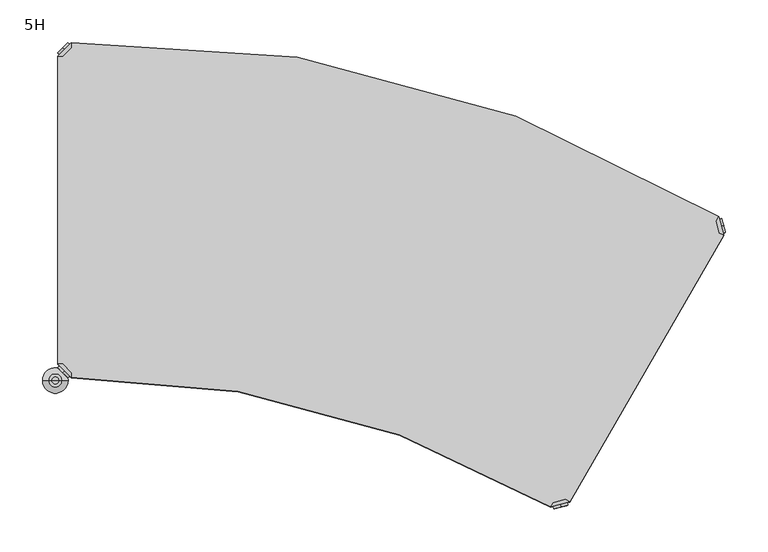
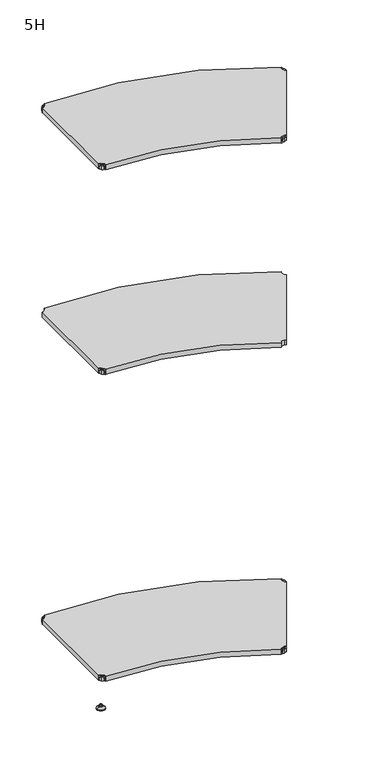
"""IFC4 building model written with IfcOpenShell, lengths in millimetres: furniture geometry, 5H."""

from ifc_helpers import new_model, si_unit, point, frame, frame_2d, origin, place, context, project, spatial, polyline, circle_curve, trimmed, segment, composite_curve, outline, extrude, source, transform, mapped, element, save
from ifc_brep_helpers import plane_surface, cylinder_surface, revolved_surface, advanced_brep


def furniture_5h_aa040f7a(model_context):
    return source(origin(), model_context, "Body", "SolidModel", [
        advanced_brep(
        [(10.9601551, -389.0398449, 1298.5), (10.9601551, -389.0398449, 1307.0), (10.9601551, -389.0398449, 1315.5), (8.8388348, -391.1611652, 1298.5), (8.8388348, -391.1611652, 1315.5), (8.8388348, -391.1611652, 1307.0)],
        [
            (0, 1),
            (1, 2),
            (2, 0, circle_curve(frame((10.9601551, -389.0398449, 1307.0), z_axis=(0.7071067811865509, 0.7071067811865441, 0.0), x_axis=(0.0, 0.0, 1.0)), 8.5)),
            (0, 2, circle_curve(frame((10.9601551, -389.0398449, 1307.0), z_axis=(0.7071067811865509, 0.7071067811865441, 0.0), x_axis=(0.0, 0.0, 1.0)), 8.5)),
            (3, 0),
            (2, 4),
            (4, 3, circle_curve(frame((8.8388348, -391.1611652, 1307.0), z_axis=(0.7071067811865509, 0.7071067811865441, 0.0), x_axis=(0.0, 0.0, 1.0)), 8.5)),
            (3, 4, circle_curve(frame((8.8388348, -391.1611652, 1307.0), z_axis=(0.7071067811865509, 0.7071067811865441, 0.0), x_axis=(0.0, 0.0, 1.0)), 8.5)),
            (5, 3),
            (4, 5),
        ],
        [
            plane_surface(frame((10.9601551, -389.0398449, 1307.0), z_axis=(0.7071067811865506, 0.7071067811865446, 0.0), x_axis=(0.0, 0.0, 1.0))),
            cylinder_surface(frame((8.8388348, -391.1611652, 1307.0), z_axis=(-0.7071067811865509, -0.7071067811865441, 0.0), x_axis=(0.0, 0.0, 1.0)), 8.5),
            plane_surface(frame((8.8388348, -391.1611652, 1307.0), z_axis=(-0.7071067811865506, -0.7071067811865446, 0.0), x_axis=(0.0, 0.0, 1.0))),
        ],
        [
            (0, [[1, 2, 3]]),
            (0, [[-2, -1, 4]]),
            (1, [[5, -3, 6, 7]]),
            (1, [[-6, -4, -5, 8]]),
            (2, [[9, -7, 10]]),
            (2, [[-10, -8, -9]]),
        ],
    ),
        advanced_brep(
        [(18.9203102, -397.0, 1317.0), (18.9203102, -391.3431458, 1317.0), (8.6568542, -381.0796898, 1317.0), (3.0, -381.0796898, 1317.0), (3.0, -381.0796898, 1298.0), (3.0, -381.0796898, 1297.0), (18.9203102, -397.0, 1297.0), (18.9203102, -397.0, 1298.0), (18.9203102, -391.3431458, 1298.0), (8.6568542, -381.0796898, 1298.0), (47.7297077, -368.1906025, 1298.0), (31.8093975, -352.2702923, 1298.0), (31.8093975, -352.2702923, 1297.0), (47.7297077, -368.1906025, 1297.0)],
        [
            (0, 1),
            (1, 2),
            (2, 3),
            (3, 0),
            (3, 4),
            (4, 5),
            (5, 6),
            (6, 7),
            (7, 0),
            (1, 8),
            (8, 9),
            (9, 2),
            (7, 8),
            (9, 4),
            (7, 10),
            (10, 11, circle_curve(frame((39.7695526, -360.2304474, 1298.0), z_axis=(0.0, 0.0, 1.0), x_axis=(1.0, 0.0, 0.0)), 11.2573593)),
            (11, 4),
            (5, 12),
            (12, 13, circle_curve(frame((39.7695526, -360.2304474, 1297.0), z_axis=(0.0, 0.0, -1.0), x_axis=(1.0, 0.0, 0.0)), 11.2573593)),
            (13, 6),
            (11, 12),
            (10, 13),
        ],
        [
            plane_surface(frame((-38.8756299, -339.2040599, 1317.0), z_axis=(0.0, 0.0, 1.0000000000000002), x_axis=(-0.7071067811865511, 0.707106781186544, 0.0))),
            plane_surface(frame((18.9203102, -397.0, 1317.0), z_axis=(-0.707106781186544, -0.7071067811865511, 0.0), x_axis=(0.0, 0.0, -1.0))),
            plane_surface(frame((8.6568542, -381.0796898, 1317.0), z_axis=(0.7071067811865527, 0.7071067811865424, 0.0), x_axis=(0.0, 0.0, -1.0))),
            plane_surface(frame((18.9203102, -391.3431458, 1317.0), z_axis=(1.0, 0.0, 0.0), x_axis=(0.0, 0.0, -1.0))),
            plane_surface(frame((3.0, -381.0796898, 1317.0), z_axis=(0.0, 1.0, 0.0), x_axis=(0.0, 0.0, -1.0))),
            plane_surface(frame((3.0, -381.0796898, 1298.0), z_axis=(0.0, 0.0, 1.0), x_axis=(-0.7071067811865439, 0.7071067811865511, 0.0))),
            plane_surface(frame((3.0, -381.0796898, 1297.0), z_axis=(0.0, 0.0, -1.0), x_axis=(0.7071067811865439, -0.7071067811865511, 0.0))),
            plane_surface(frame((3.0, -381.0796898, 1298.0), z_axis=(-0.7071067811865446, 0.7071067811865506, 0.0), x_axis=(0.0, 0.0, -1.0))),
            cylinder_surface(frame((39.7695526, -360.2304474, 1297.0), z_axis=(0.0, 0.0, 1.0), x_axis=(1.0, 0.0, 0.0)), 11.2573593),
            plane_surface(frame((47.7297077, -368.1906025, 1298.0), z_axis=(0.7071067811865435, -0.7071067811865517, 0.0), x_axis=(0.0, 0.0, -1.0))),
        ],
        [
            (0, [[1, 2, 3, 4]]),
            (1, [[5, 6, 7, 8, 9, -4]]),
            (2, [[10, 11, 12, -2]]),
            (3, [[-9, 13, -10, -1]]),
            (4, [[-12, 14, -5, -3]]),
            (5, [[-14, -11, -13, 15, 16, 17]]),
            (6, [[-7, 18, 19, 20]]),
            (7, [[21, -18, -6, -17]]),
            (8, [[22, -19, -21, -16]]),
            (9, [[-8, -20, -22, -15]]),
        ],
    ),
        extrude(outline(composite_curve([segment(polyline([(3.0, -381.0796898), (3.0, -18.9203102), (8.6568542, -18.9203102), (18.9203102, -8.6568542), (18.9203102, -2.9913431)]), True, "CONTINUOUS"), segment(trimmed(circle_curve(frame_2d((66.3235275, -1342.1526236)), 1340.0), [point((18.9203102, -2.9913431))], [point((779.4840717, -207.6915012))], False, "CARTESIAN"), True, "CONTINUOUS"), segment(polyline([(779.4840717, -207.6915012), (776.6299875, -212.6349201), (780.3866732, -226.6550617), (785.2835675, -229.4822849), (604.2159955, -543.1005192), (599.3191011, -540.273296), (585.2989596, -544.0299816), (582.4705324, -548.9289611)]), True, "CONTINUOUS"), segment(trimmed(circle_curve(frame_2d((27.3277059, -1486.9675755)), 1090.0), [point((582.4705324, -548.9289611))], [point((18.9203102, -397.0))], True, "CARTESIAN"), True, "CONTINUOUS"), segment(polyline([(18.9203102, -397.0), (18.9203102, -391.3431458), (8.6568542, -381.0796898), (3.0, -381.0796898)]), True, "CONTINUOUS")], self_intersect=False)), frame((0.0, 0.0, 1298.0), z_axis=(0.0, 0.0, 1.0), x_axis=(1.0, 0.0, 0.0)), (0.0, 0.0, 1.0), 19.0),
        advanced_brep(
        [(10.9601551, -10.9601551, 2098.5), (10.9601551, -10.9601551, 2115.5), (10.9601551, -10.9601551, 2107.0), (8.8388348, -8.8388348, 2098.5), (8.8388348, -8.8388348, 2115.5), (8.8388348, -8.8388348, 2107.0)],
        [
            (0, 1, circle_curve(frame((10.9601551, -10.9601551, 2107.0), z_axis=(0.7071067811865465, -0.7071067811865486, 0.0), x_axis=(0.0, 0.0, 1.0)), 8.5)),
            (1, 2),
            (2, 0),
            (1, 0, circle_curve(frame((10.9601551, -10.9601551, 2107.0), z_axis=(0.7071067811865465, -0.7071067811865486, 0.0), x_axis=(0.0, 0.0, 1.0)), 8.5)),
            (3, 4, circle_curve(frame((8.8388348, -8.8388348, 2107.0), z_axis=(0.7071067811865465, -0.7071067811865486, 0.0), x_axis=(0.0, 0.0, 1.0)), 8.5)),
            (4, 1),
            (0, 3),
            (4, 3, circle_curve(frame((8.8388348, -8.8388348, 2107.0), z_axis=(0.7071067811865465, -0.7071067811865486, 0.0), x_axis=(0.0, 0.0, 1.0)), 8.5)),
            (5, 4),
            (3, 5),
        ],
        [
            plane_surface(frame((10.9601551, -10.9601551, 2107.0), z_axis=(0.7071067811865461, -0.707106781186549, 0.0), x_axis=(0.0, 0.0, 1.0))),
            cylinder_surface(frame((8.8388348, -8.8388348, 2107.0), z_axis=(-0.7071067811865465, 0.7071067811865486, 0.0), x_axis=(0.0, 0.0, 1.0)), 8.5),
            plane_surface(frame((8.8388348, -8.8388348, 2107.0), z_axis=(-0.7071067811865461, 0.707106781186549, 0.0), x_axis=(0.0, 0.0, 1.0))),
        ],
        [
            (0, [[1, 2, 3]]),
            (0, [[4, -3, -2]]),
            (1, [[5, 6, -1, 7]]),
            (1, [[8, -7, -4, -6]]),
            (2, [[9, -5, 10]]),
            (2, [[-10, -8, -9]]),
        ],
    ),
        advanced_brep(
        [(18.9203102, -3.0, 2117.0), (3.0, -18.9203102, 2117.0), (8.6568542, -18.9203102, 2117.0), (18.9203102, -8.6568542, 2117.0), (18.9203102, -3.0, 2098.0), (18.9203102, -3.0, 2097.0), (3.0, -18.9203102, 2097.0), (3.0, -18.9203102, 2098.0), (8.6568542, -18.9203102, 2098.0), (18.9203102, -8.6568542, 2098.0), (31.8093975, -47.7297077, 2098.0), (47.7297077, -31.8093975, 2098.0), (47.7297077, -31.8093975, 2097.0), (31.8093975, -47.7297077, 2097.0)],
        [
            (0, 1),
            (1, 2),
            (2, 3),
            (3, 0),
            (0, 4),
            (4, 5),
            (5, 6),
            (6, 7),
            (7, 1),
            (2, 8),
            (8, 9),
            (9, 3),
            (9, 4),
            (7, 8),
            (7, 10),
            (10, 11, circle_curve(frame((39.7695526, -39.7695526, 2098.0), z_axis=(0.0, 0.0, 1.0), x_axis=(1.0, 0.0, 0.0)), 11.2573593)),
            (11, 4),
            (5, 12),
            (12, 13, circle_curve(frame((39.7695526, -39.7695526, 2097.0), z_axis=(0.0, 0.0, -1.0), x_axis=(1.0, 0.0, 0.0)), 11.2573593)),
            (13, 6),
            (13, 10),
            (12, 11),
        ],
        [
            plane_surface(frame((-38.8756299, -60.7959401, 2117.0), z_axis=(0.0, 0.0, 1.0), x_axis=(-0.7071067811865556, -0.7071067811865396, 0.0))),
            plane_surface(frame((18.9203102, -3.0, 2117.0), z_axis=(-0.7071067811865396, 0.7071067811865556, 0.0), x_axis=(0.0, 0.0, -1.0))),
            plane_surface(frame((8.6568542, -18.9203102, 2117.0), z_axis=(0.7071067811865482, -0.7071067811865468, 0.0), x_axis=(0.0, 0.0, -1.0))),
            plane_surface(frame((18.9203102, -8.6568542, 2117.0), z_axis=(1.0, 0.0, 0.0), x_axis=(0.0, 0.0, -1.0))),
            plane_surface(frame((3.0, -18.9203102, 2117.0), z_axis=(0.0, -1.0, 0.0), x_axis=(0.0, 0.0, -1.0))),
            plane_surface(frame((3.0, -18.9203102, 2098.0), z_axis=(0.0, 0.0, 1.0), x_axis=(-0.7071067811865483, -0.7071067811865467, 0.0))),
            plane_surface(frame((3.0, -18.9203102, 2097.0), z_axis=(0.0, 0.0, -1.0), x_axis=(0.7071067811865483, 0.7071067811865467, 0.0))),
            plane_surface(frame((3.0, -18.9203102, 2098.0), z_axis=(-0.707106781186549, -0.7071067811865461, 0.0), x_axis=(0.0, 0.0, -1.0))),
            cylinder_surface(frame((39.7695526, -39.7695526, 2097.0), z_axis=(0.0, 0.0, 1.0), x_axis=(1.0, 0.0, 0.0)), 11.2573593),
            plane_surface(frame((47.7297077, -31.8093975, 2098.0), z_axis=(0.7071067811865479, 0.7071067811865472, 0.0), x_axis=(0.0, 0.0, -1.0))),
        ],
        [
            (0, [[1, 2, 3, 4]]),
            (1, [[-1, 5, 6, 7, 8, 9]]),
            (2, [[-3, 10, 11, 12]]),
            (3, [[-4, -12, 13, -5]]),
            (4, [[-2, -9, 14, -10]]),
            (5, [[15, 16, 17, -13, -11, -14]]),
            (6, [[18, 19, 20, -7]]),
            (7, [[-15, -8, -20, 21]]),
            (8, [[-16, -21, -19, 22]]),
            (9, [[-17, -22, -18, -6]]),
        ],
    ),
        advanced_brep(
        [(782.3720337, -218.6097147, 2098.5), (782.3720337, -218.6097147, 2107.0), (782.3720337, -218.6097147, 2115.5), (785.2698111, -217.8332576, 2098.5), (785.2698111, -217.8332576, 2115.5), (785.2698111, -217.8332576, 2107.0)],
        [
            (0, 1),
            (1, 2),
            (2, 0, circle_curve(frame((782.3720337, -218.6097147, 2107.0), z_axis=(-0.9659258262890685, -0.25881904510252, 0.0), x_axis=(0.0, 0.0, 1.0)), 8.5)),
            (0, 2, circle_curve(frame((782.3720337, -218.6097147, 2107.0), z_axis=(-0.9659258262890685, -0.25881904510252, 0.0), x_axis=(0.0, 0.0, 1.0)), 8.5)),
            (3, 0),
            (2, 4),
            (4, 3, circle_curve(frame((785.2698111, -217.8332576, 2107.0), z_axis=(-0.9659258262890685, -0.25881904510252, 0.0), x_axis=(0.0, 0.0, 1.0)), 8.5)),
            (3, 4, circle_curve(frame((785.2698111, -217.8332576, 2107.0), z_axis=(-0.9659258262890685, -0.25881904510252, 0.0), x_axis=(0.0, 0.0, 1.0)), 8.5)),
            (5, 3),
            (4, 5),
        ],
        [
            plane_surface(frame((782.3720337, -218.6097147, 2107.0), z_axis=(-0.9659258262890684, -0.25881904510252063, 0.0), x_axis=(0.0, 0.0, 1.0))),
            cylinder_surface(frame((785.2698111, -217.8332576, 2107.0), z_axis=(0.9659258262890685, 0.25881904510252, 0.0), x_axis=(0.0, 0.0, 1.0)), 8.5),
            plane_surface(frame((785.2698111, -217.8332576, 2107.0), z_axis=(0.9659258262890684, 0.25881904510252063, 0.0), x_axis=(0.0, 0.0, 1.0))),
        ],
        [
            (0, [[1, 2, 3]]),
            (0, [[-2, -1, 4]]),
            (1, [[5, -3, 6, 7]]),
            (1, [[-6, -4, -5, 8]]),
            (2, [[9, -7, 10]]),
            (2, [[-10, -8, -9]]),
        ],
    ),
        advanced_brep(
        [(779.4584147, -207.7359406, 2117.0), (776.6299875, -212.6349201, 2117.0), (780.3866732, -226.6550617, 2117.0), (785.2856526, -229.4834888, 2117.0), (785.2856526, -229.4834888, 2098.0), (785.2856526, -229.4834888, 2097.0), (779.4584147, -207.7359406, 2097.0), (779.4584147, -207.7359406, 2098.0), (776.6299875, -212.6349201, 2098.0), (780.3866732, -226.6550617, 2098.0), (740.1040458, -218.280912, 2098.0), (745.9312838, -240.0284602, 2098.0), (745.9312838, -240.0284602, 2097.0), (740.1040458, -218.280912, 2097.0)],
        [
            (0, 1),
            (1, 2),
            (2, 3),
            (3, 0),
            (3, 4),
            (4, 5),
            (5, 6),
            (6, 7),
            (7, 0),
            (1, 8),
            (8, 9),
            (9, 2),
            (7, 8),
            (9, 4),
            (7, 10),
            (10, 11, circle_curve(frame((743.0176648, -229.1546861, 2098.0), z_axis=(0.0, 0.0, 1.0), x_axis=(-0.8660254037844375, 0.5000000000000021, 0.0)), 11.2573593)),
            (11, 4),
            (5, 12),
            (12, 13, circle_curve(frame((743.0176648, -229.1546861, 2097.0), z_axis=(0.0, 0.0, -1.0), x_axis=(-0.8660254037844375, 0.5000000000000021, 0.0)), 11.2573593)),
            (13, 6),
            (11, 12),
            (10, 13),
        ],
        [
            plane_surface(frame((800.613197, -286.6866631, 2117.0), z_axis=(0.0, 0.0, 1.0), x_axis=(0.25881904510252957, -0.965925826289066, 0.0))),
            plane_surface(frame((779.4584147, -207.7359406, 2117.0), z_axis=(0.965925826289066, 0.25881904510252957, 0.0), x_axis=(0.0, 0.0, -1.0))),
            plane_surface(frame((780.3866732, -226.6550617, 2117.0), z_axis=(-0.9659258262890692, -0.2588190451025176, 0.0), x_axis=(0.0, 0.0, -1.0))),
            plane_surface(frame((776.6299875, -212.6349201, 2117.0), z_axis=(-0.866025403784462, 0.4999999999999597, 0.0), x_axis=(0.0, 0.0, -1.0))),
            plane_surface(frame((785.2856526, -229.4834888, 2117.0), z_axis=(-0.4999999999999963, -0.8660254037844408, 0.0), x_axis=(0.0, 0.0, -1.0))),
            plane_surface(frame((785.2856526, -229.4834888, 2098.0), z_axis=(0.0, 0.0, 1.0), x_axis=(0.2588190451025197, -0.9659258262890686, 0.0))),
            plane_surface(frame((785.2856526, -229.4834888, 2097.0), z_axis=(0.0, 0.0, -1.0), x_axis=(-0.2588190451025197, 0.9659258262890686, 0.0))),
            plane_surface(frame((785.2856526, -229.4834888, 2098.0), z_axis=(0.25881904510252063, -0.9659258262890684, 0.0), x_axis=(0.0, 0.0, -1.0))),
            cylinder_surface(frame((743.0176648, -229.1546861, 2097.0), z_axis=(0.0, 0.0, 1.0), x_axis=(-0.8660254037844375, 0.5000000000000021, 0.0)), 11.2573593),
            plane_surface(frame((740.1040458, -218.280912, 2098.0), z_axis=(-0.2588190451025191, 0.9659258262890689, 0.0), x_axis=(0.0, 0.0, -1.0))),
        ],
        [
            (0, [[1, 2, 3, 4]]),
            (1, [[5, 6, 7, 8, 9, -4]]),
            (2, [[10, 11, 12, -2]]),
            (3, [[-9, 13, -10, -1]]),
            (4, [[-12, 14, -5, -3]]),
            (5, [[-14, -11, -13, 15, 16, 17]]),
            (6, [[-7, 18, 19, 20]]),
            (7, [[21, -18, -6, -17]]),
            (8, [[22, -19, -21, -16]]),
            (9, [[-8, -20, -22, -15]]),
        ],
    ),
        advanced_brep(
        [(593.3443065, -546.0153421, 2098.5), (593.3443065, -546.0153421, 2115.5), (593.3443065, -546.0153421, 2107.0), (594.1207637, -548.9131196, 2098.5), (594.1207637, -548.9131196, 2115.5), (594.1207637, -548.9131196, 2107.0)],
        [
            (0, 1, circle_curve(frame((593.3443065, -546.0153421, 2107.0), z_axis=(-0.25881904510252524, 0.9659258262890672, 0.0), x_axis=(0.0, 0.0, 1.0)), 8.5)),
            (1, 2),
            (2, 0),
            (1, 0, circle_curve(frame((593.3443065, -546.0153421, 2107.0), z_axis=(-0.25881904510252524, 0.9659258262890672, 0.0), x_axis=(0.0, 0.0, 1.0)), 8.5)),
            (3, 4, circle_curve(frame((594.1207637, -548.9131196, 2107.0), z_axis=(-0.25881904510252524, 0.9659258262890672, 0.0), x_axis=(0.0, 0.0, 1.0)), 8.5)),
            (4, 1),
            (0, 3),
            (4, 3, circle_curve(frame((594.1207637, -548.9131196, 2107.0), z_axis=(-0.25881904510252524, 0.9659258262890672, 0.0), x_axis=(0.0, 0.0, 1.0)), 8.5)),
            (5, 4),
            (3, 5),
        ],
        [
            plane_surface(frame((593.3443065, -546.0153421, 2107.0), z_axis=(-0.2588190451025247, 0.9659258262890673, 0.0), x_axis=(0.0, 0.0, 1.0))),
            cylinder_surface(frame((594.1207637, -548.9131196, 2107.0), z_axis=(0.25881904510252524, -0.9659258262890672, 0.0), x_axis=(0.0, 0.0, 1.0)), 8.5),
            plane_surface(frame((594.1207637, -548.9131196, 2107.0), z_axis=(0.2588190451025247, -0.9659258262890673, 0.0), x_axis=(0.0, 0.0, 1.0))),
        ],
        [
            (0, [[1, 2, 3]]),
            (0, [[4, -3, -2]]),
            (1, [[5, 6, -1, 7]]),
            (1, [[8, -7, -4, -6]]),
            (2, [[9, -5, 10]]),
            (2, [[-10, -8, -9]]),
        ],
    ),
        advanced_brep(
        [(582.4705324, -548.9289611, 2117.0), (604.2180806, -543.1017231, 2117.0), (599.3191011, -540.273296, 2117.0), (585.2989596, -544.0299816, 2117.0), (582.4705324, -548.9289611, 2098.0), (582.4705324, -548.9289611, 2097.0), (604.2180806, -543.1017231, 2097.0), (604.2180806, -543.1017231, 2098.0), (599.3191011, -540.273296, 2098.0), (585.2989596, -544.0299816, 2098.0), (593.6731093, -503.7473542, 2098.0), (571.9255611, -509.5745922, 2098.0), (571.9255611, -509.5745922, 2097.0), (593.6731093, -503.7473542, 2097.0)],
        [
            (0, 1),
            (1, 2),
            (2, 3),
            (3, 0),
            (0, 4),
            (4, 5),
            (5, 6),
            (6, 7),
            (7, 1),
            (2, 8),
            (8, 9),
            (9, 3),
            (9, 4),
            (7, 8),
            (7, 10),
            (10, 11, circle_curve(frame((582.7993352, -506.6609732, 2098.0), z_axis=(0.0, 0.0, 1.0), x_axis=(-0.8660254037844418, 0.49999999999999467, 0.0)), 11.2573593)),
            (11, 4),
            (5, 12),
            (12, 13, circle_curve(frame((582.7993352, -506.6609732, 2097.0), z_axis=(0.0, 0.0, -1.0), x_axis=(-0.8660254037844418, 0.49999999999999467, 0.0)), 11.2573593)),
            (13, 6),
            (13, 10),
            (12, 11),
        ],
        [
            plane_surface(frame((661.4212549, -527.7741788, 2117.0), z_axis=(0.0, 0.0, 1.0000000000000002), x_axis=(0.9659258262890698, 0.25881904510251574, 0.0))),
            plane_surface(frame((582.4705324, -548.9289611, 2117.0), z_axis=(0.25881904510251574, -0.9659258262890698, 0.0), x_axis=(0.0, 0.0, -1.0))),
            plane_surface(frame((599.3191011, -540.273296, 2117.0), z_axis=(-0.25881904510252757, 0.9659258262890665, 0.0), x_axis=(0.0, 0.0, -1.0))),
            plane_surface(frame((585.2989596, -544.0299816, 2117.0), z_axis=(-0.8660254037844173, 0.5000000000000371, 0.0), x_axis=(0.0, 0.0, -1.0))),
            plane_surface(frame((604.2180806, -543.1017231, 2117.0), z_axis=(0.5000000000000004, 0.8660254037844385, 0.0), x_axis=(0.0, 0.0, -1.0))),
            plane_surface(frame((604.2180806, -543.1017231, 2098.0), z_axis=(0.0, 0.0, 1.0), x_axis=(0.9659258262890671, 0.25881904510252546, 0.0))),
            plane_surface(frame((604.2180806, -543.1017231, 2097.0), z_axis=(0.0, 0.0, -1.0), x_axis=(-0.9659258262890671, -0.25881904510252546, 0.0))),
            plane_surface(frame((604.2180806, -543.1017231, 2098.0), z_axis=(0.9659258262890673, 0.2588190451025247, 0.0), x_axis=(0.0, 0.0, -1.0))),
            cylinder_surface(frame((582.7993352, -506.6609732, 2097.0), z_axis=(0.0, 0.0, 1.0), x_axis=(-0.8660254037844418, 0.49999999999999467, 0.0)), 11.2573593),
            plane_surface(frame((571.9255611, -509.5745922, 2098.0), z_axis=(-0.9659258262890669, -0.2588190451025262, 0.0), x_axis=(0.0, 0.0, -1.0))),
        ],
        [
            (0, [[1, 2, 3, 4]]),
            (1, [[-1, 5, 6, 7, 8, 9]]),
            (2, [[-3, 10, 11, 12]]),
            (3, [[-4, -12, 13, -5]]),
            (4, [[-2, -9, 14, -10]]),
            (5, [[15, 16, 17, -13, -11, -14]]),
            (6, [[18, 19, 20, -7]]),
            (7, [[-15, -8, -20, 21]]),
            (8, [[-16, -21, -19, 22]]),
            (9, [[-17, -22, -18, -6]]),
        ],
    ),
        advanced_brep(
        [(10.9601551, -389.0398449, 2098.5), (10.9601551, -389.0398449, 2107.0), (10.9601551, -389.0398449, 2115.5), (8.8388348, -391.1611652, 2098.5), (8.8388348, -391.1611652, 2115.5), (8.8388348, -391.1611652, 2107.0)],
        [
            (0, 1),
            (1, 2),
            (2, 0, circle_curve(frame((10.9601551, -389.0398449, 2107.0), z_axis=(0.7071067811865509, 0.7071067811865441, 0.0), x_axis=(0.0, 0.0, 1.0)), 8.5)),
            (0, 2, circle_curve(frame((10.9601551, -389.0398449, 2107.0), z_axis=(0.7071067811865509, 0.7071067811865441, 0.0), x_axis=(0.0, 0.0, 1.0)), 8.5)),
            (3, 0),
            (2, 4),
            (4, 3, circle_curve(frame((8.8388348, -391.1611652, 2107.0), z_axis=(0.7071067811865509, 0.7071067811865441, 0.0), x_axis=(0.0, 0.0, 1.0)), 8.5)),
            (3, 4, circle_curve(frame((8.8388348, -391.1611652, 2107.0), z_axis=(0.7071067811865509, 0.7071067811865441, 0.0), x_axis=(0.0, 0.0, 1.0)), 8.5)),
            (5, 3),
            (4, 5),
        ],
        [
            plane_surface(frame((10.9601551, -389.0398449, 2107.0), z_axis=(0.7071067811865506, 0.7071067811865446, 0.0), x_axis=(0.0, 0.0, 1.0))),
            cylinder_surface(frame((8.8388348, -391.1611652, 2107.0), z_axis=(-0.7071067811865509, -0.7071067811865441, 0.0), x_axis=(0.0, 0.0, 1.0)), 8.5),
            plane_surface(frame((8.8388348, -391.1611652, 2107.0), z_axis=(-0.7071067811865506, -0.7071067811865446, 0.0), x_axis=(0.0, 0.0, 1.0))),
        ],
        [
            (0, [[1, 2, 3]]),
            (0, [[-2, -1, 4]]),
            (1, [[5, -3, 6, 7]]),
            (1, [[-6, -4, -5, 8]]),
            (2, [[9, -7, 10]]),
            (2, [[-10, -8, -9]]),
        ],
    ),
        advanced_brep(
        [(18.9203102, -397.0, 2117.0), (18.9203102, -391.3431458, 2117.0), (8.6568542, -381.0796898, 2117.0), (3.0, -381.0796898, 2117.0), (3.0, -381.0796898, 2098.0), (3.0, -381.0796898, 2097.0), (18.9203102, -397.0, 2097.0), (18.9203102, -397.0, 2098.0), (18.9203102, -391.3431458, 2098.0), (8.6568542, -381.0796898, 2098.0), (47.7297077, -368.1906025, 2098.0), (31.8093975, -352.2702923, 2098.0), (31.8093975, -352.2702923, 2097.0), (47.7297077, -368.1906025, 2097.0)],
        [
            (0, 1),
            (1, 2),
            (2, 3),
            (3, 0),
            (3, 4),
            (4, 5),
            (5, 6),
            (6, 7),
            (7, 0),
            (1, 8),
            (8, 9),
            (9, 2),
            (7, 8),
            (9, 4),
            (7, 10),
            (10, 11, circle_curve(frame((39.7695526, -360.2304474, 2098.0), z_axis=(0.0, 0.0, 1.0), x_axis=(1.0, 0.0, 0.0)), 11.2573593)),
            (11, 4),
            (5, 12),
            (12, 13, circle_curve(frame((39.7695526, -360.2304474, 2097.0), z_axis=(0.0, 0.0, -1.0), x_axis=(1.0, 0.0, 0.0)), 11.2573593)),
            (13, 6),
            (11, 12),
            (10, 13),
        ],
        [
            plane_surface(frame((-38.8756299, -339.2040599, 2117.0), z_axis=(0.0, 0.0, 1.0000000000000002), x_axis=(-0.7071067811865511, 0.707106781186544, 0.0))),
            plane_surface(frame((18.9203102, -397.0, 2117.0), z_axis=(-0.707106781186544, -0.7071067811865511, 0.0), x_axis=(0.0, 0.0, -1.0))),
            plane_surface(frame((8.6568542, -381.0796898, 2117.0), z_axis=(0.7071067811865527, 0.7071067811865424, 0.0), x_axis=(0.0, 0.0, -1.0))),
            plane_surface(frame((18.9203102, -391.3431458, 2117.0), z_axis=(1.0, 0.0, 0.0), x_axis=(0.0, 0.0, -1.0))),
            plane_surface(frame((3.0, -381.0796898, 2117.0), z_axis=(0.0, 1.0, 0.0), x_axis=(0.0, 0.0, -1.0))),
            plane_surface(frame((3.0, -381.0796898, 2098.0), z_axis=(0.0, 0.0, 1.0), x_axis=(-0.7071067811865439, 0.7071067811865511, 0.0))),
            plane_surface(frame((3.0, -381.0796898, 2097.0), z_axis=(0.0, 0.0, -1.0), x_axis=(0.7071067811865439, -0.7071067811865511, 0.0))),
            plane_surface(frame((3.0, -381.0796898, 2098.0), z_axis=(-0.7071067811865446, 0.7071067811865506, 0.0), x_axis=(0.0, 0.0, -1.0))),
            cylinder_surface(frame((39.7695526, -360.2304474, 2097.0), z_axis=(0.0, 0.0, 1.0), x_axis=(1.0, 0.0, 0.0)), 11.2573593),
            plane_surface(frame((47.7297077, -368.1906025, 2098.0), z_axis=(0.7071067811865435, -0.7071067811865517, 0.0), x_axis=(0.0, 0.0, -1.0))),
        ],
        [
            (0, [[1, 2, 3, 4]]),
            (1, [[5, 6, 7, 8, 9, -4]]),
            (2, [[10, 11, 12, -2]]),
            (3, [[-9, 13, -10, -1]]),
            (4, [[-12, 14, -5, -3]]),
            (5, [[-14, -11, -13, 15, 16, 17]]),
            (6, [[-7, 18, 19, 20]]),
            (7, [[21, -18, -6, -17]]),
            (8, [[22, -19, -21, -16]]),
            (9, [[-8, -20, -22, -15]]),
        ],
    ),
        extrude(outline(composite_curve([segment(polyline([(3.0, -381.0796898), (3.0, -18.9203102), (8.6568542, -18.9203102), (18.9203102, -8.6568542), (18.9203102, -2.9913431)]), True, "CONTINUOUS"), segment(trimmed(circle_curve(frame_2d((66.3235275, -1342.1526236)), 1340.0), [point((18.9203102, -2.9913431))], [point((779.4840717, -207.6915012))], False, "CARTESIAN"), True, "CONTINUOUS"), segment(polyline([(779.4840717, -207.6915012), (776.6299875, -212.6349201), (780.3866732, -226.6550617), (785.2835675, -229.4822849), (604.2159955, -543.1005192), (599.3191011, -540.273296), (585.2989596, -544.0299816), (582.4705324, -548.9289611)]), True, "CONTINUOUS"), segment(trimmed(circle_curve(frame_2d((27.3277059, -1486.9675755)), 1090.0), [point((582.4705324, -548.9289611))], [point((18.9203102, -397.0))], True, "CARTESIAN"), True, "CONTINUOUS"), segment(polyline([(18.9203102, -397.0), (18.9203102, -391.3431458), (8.6568542, -381.0796898), (3.0, -381.0796898)]), True, "CONTINUOUS")], self_intersect=False)), frame((0.0, 0.0, 2098.0), z_axis=(0.0, 0.0, 1.0), x_axis=(1.0, 0.0, 0.0)), (0.0, 0.0, 1.0), 19.0),
        advanced_brep(
        [(10.9601551, -10.9601551, 98.5), (10.9601551, -10.9601551, 115.5), (10.9601551, -10.9601551, 107.0), (8.8388348, -8.8388348, 98.5), (8.8388348, -8.8388348, 115.5), (8.8388348, -8.8388348, 107.0)],
        [
            (0, 1, circle_curve(frame((10.9601551, -10.9601551, 107.0), z_axis=(0.7071067811865465, -0.7071067811865486, 0.0), x_axis=(0.0, 0.0, 1.0)), 8.5)),
            (1, 2),
            (2, 0),
            (1, 0, circle_curve(frame((10.9601551, -10.9601551, 107.0), z_axis=(0.7071067811865465, -0.7071067811865486, 0.0), x_axis=(0.0, 0.0, 1.0)), 8.5)),
            (3, 4, circle_curve(frame((8.8388348, -8.8388348, 107.0), z_axis=(0.7071067811865465, -0.7071067811865486, 0.0), x_axis=(0.0, 0.0, 1.0)), 8.5)),
            (4, 1),
            (0, 3),
            (4, 3, circle_curve(frame((8.8388348, -8.8388348, 107.0), z_axis=(0.7071067811865465, -0.7071067811865486, 0.0), x_axis=(0.0, 0.0, 1.0)), 8.5)),
            (5, 4),
            (3, 5),
        ],
        [
            plane_surface(frame((10.9601551, -10.9601551, 107.0), z_axis=(0.7071067811865461, -0.707106781186549, 0.0), x_axis=(0.0, 0.0, 1.0))),
            cylinder_surface(frame((8.8388348, -8.8388348, 107.0), z_axis=(-0.7071067811865465, 0.7071067811865486, 0.0), x_axis=(0.0, 0.0, 1.0)), 8.5),
            plane_surface(frame((8.8388348, -8.8388348, 107.0), z_axis=(-0.7071067811865461, 0.707106781186549, 0.0), x_axis=(0.0, 0.0, 1.0))),
        ],
        [
            (0, [[1, 2, 3]]),
            (0, [[4, -3, -2]]),
            (1, [[5, 6, -1, 7]]),
            (1, [[8, -7, -4, -6]]),
            (2, [[9, -5, 10]]),
            (2, [[-10, -8, -9]]),
        ],
    ),
        advanced_brep(
        [(18.9203102, -3.0, 117.0), (3.0, -18.9203102, 117.0), (8.6568542, -18.9203102, 117.0), (18.9203102, -8.6568542, 117.0), (18.9203102, -3.0, 98.0), (18.9203102, -3.0, 97.0), (3.0, -18.9203102, 97.0), (3.0, -18.9203102, 98.0), (8.6568542, -18.9203102, 98.0), (18.9203102, -8.6568542, 98.0), (31.8093975, -47.7297077, 98.0), (47.7297077, -31.8093975, 98.0), (47.7297077, -31.8093975, 97.0), (31.8093975, -47.7297077, 97.0)],
        [
            (0, 1),
            (1, 2),
            (2, 3),
            (3, 0),
            (0, 4),
            (4, 5),
            (5, 6),
            (6, 7),
            (7, 1),
            (2, 8),
            (8, 9),
            (9, 3),
            (9, 4),
            (7, 8),
            (7, 10),
            (10, 11, circle_curve(frame((39.7695526, -39.7695526, 98.0), z_axis=(0.0, 0.0, 1.0), x_axis=(1.0, 0.0, 0.0)), 11.2573593)),
            (11, 4),
            (5, 12),
            (12, 13, circle_curve(frame((39.7695526, -39.7695526, 97.0), z_axis=(0.0, 0.0, -1.0), x_axis=(1.0, 0.0, 0.0)), 11.2573593)),
            (13, 6),
            (13, 10),
            (12, 11),
        ],
        [
            plane_surface(frame((-38.8756299, -60.7959401, 117.0), z_axis=(0.0, 0.0, 1.0), x_axis=(-0.7071067811865556, -0.7071067811865396, 0.0))),
            plane_surface(frame((18.9203102, -3.0, 117.0), z_axis=(-0.7071067811865396, 0.7071067811865556, 0.0), x_axis=(0.0, 0.0, -1.0))),
            plane_surface(frame((8.6568542, -18.9203102, 117.0), z_axis=(0.7071067811865482, -0.7071067811865468, 0.0), x_axis=(0.0, 0.0, -1.0))),
            plane_surface(frame((18.9203102, -8.6568542, 117.0), z_axis=(1.0, 0.0, 0.0), x_axis=(0.0, 0.0, -1.0))),
            plane_surface(frame((3.0, -18.9203102, 117.0), z_axis=(0.0, -1.0, 0.0), x_axis=(0.0, 0.0, -1.0))),
            plane_surface(frame((3.0, -18.9203102, 98.0), z_axis=(0.0, 0.0, 1.0), x_axis=(-0.7071067811865483, -0.7071067811865467, 0.0))),
            plane_surface(frame((3.0, -18.9203102, 97.0), z_axis=(0.0, 0.0, -1.0), x_axis=(0.7071067811865483, 0.7071067811865467, 0.0))),
            plane_surface(frame((3.0, -18.9203102, 98.0), z_axis=(-0.707106781186549, -0.7071067811865461, 0.0), x_axis=(0.0, 0.0, -1.0))),
            cylinder_surface(frame((39.7695526, -39.7695526, 97.0), z_axis=(0.0, 0.0, 1.0), x_axis=(1.0, 0.0, 0.0)), 11.2573593),
            plane_surface(frame((47.7297077, -31.8093975, 98.0), z_axis=(0.7071067811865479, 0.7071067811865472, 0.0), x_axis=(0.0, 0.0, -1.0))),
        ],
        [
            (0, [[1, 2, 3, 4]]),
            (1, [[-1, 5, 6, 7, 8, 9]]),
            (2, [[-3, 10, 11, 12]]),
            (3, [[-4, -12, 13, -5]]),
            (4, [[-2, -9, 14, -10]]),
            (5, [[15, 16, 17, -13, -11, -14]]),
            (6, [[18, 19, 20, -7]]),
            (7, [[-15, -8, -20, 21]]),
            (8, [[-16, -21, -19, 22]]),
            (9, [[-17, -22, -18, -6]]),
        ],
    ),
        advanced_brep(
        [(782.3720337, -218.6097147, 98.5), (782.3720337, -218.6097147, 107.0), (782.3720337, -218.6097147, 115.5), (785.2698111, -217.8332576, 98.5), (785.2698111, -217.8332576, 115.5), (785.2698111, -217.8332576, 107.0)],
        [
            (0, 1),
            (1, 2),
            (2, 0, circle_curve(frame((782.3720337, -218.6097147, 107.0), z_axis=(-0.9659258262890685, -0.25881904510252, 0.0), x_axis=(0.0, 0.0, 1.0)), 8.5)),
            (0, 2, circle_curve(frame((782.3720337, -218.6097147, 107.0), z_axis=(-0.9659258262890685, -0.25881904510252, 0.0), x_axis=(0.0, 0.0, 1.0)), 8.5)),
            (3, 0),
            (2, 4),
            (4, 3, circle_curve(frame((785.2698111, -217.8332576, 107.0), z_axis=(-0.9659258262890685, -0.25881904510252, 0.0), x_axis=(0.0, 0.0, 1.0)), 8.5)),
            (3, 4, circle_curve(frame((785.2698111, -217.8332576, 107.0), z_axis=(-0.9659258262890685, -0.25881904510252, 0.0), x_axis=(0.0, 0.0, 1.0)), 8.5)),
            (5, 3),
            (4, 5),
        ],
        [
            plane_surface(frame((782.3720337, -218.6097147, 107.0), z_axis=(-0.9659258262890684, -0.25881904510252063, 0.0), x_axis=(0.0, 0.0, 1.0))),
            cylinder_surface(frame((785.2698111, -217.8332576, 107.0), z_axis=(0.9659258262890685, 0.25881904510252, 0.0), x_axis=(0.0, 0.0, 1.0)), 8.5),
            plane_surface(frame((785.2698111, -217.8332576, 107.0), z_axis=(0.9659258262890684, 0.25881904510252063, 0.0), x_axis=(0.0, 0.0, 1.0))),
        ],
        [
            (0, [[1, 2, 3]]),
            (0, [[-2, -1, 4]]),
            (1, [[5, -3, 6, 7]]),
            (1, [[-6, -4, -5, 8]]),
            (2, [[9, -7, 10]]),
            (2, [[-10, -8, -9]]),
        ],
    ),
        advanced_brep(
        [(779.4584147, -207.7359406, 117.0), (776.6299875, -212.6349201, 117.0), (780.3866732, -226.6550617, 117.0), (785.2856526, -229.4834888, 117.0), (785.2856526, -229.4834888, 98.0), (785.2856526, -229.4834888, 97.0), (779.4584147, -207.7359406, 97.0), (779.4584147, -207.7359406, 98.0), (776.6299875, -212.6349201, 98.0), (780.3866732, -226.6550617, 98.0), (740.1040458, -218.280912, 98.0), (745.9312838, -240.0284602, 98.0), (745.9312838, -240.0284602, 97.0), (740.1040458, -218.280912, 97.0)],
        [
            (0, 1),
            (1, 2),
            (2, 3),
            (3, 0),
            (3, 4),
            (4, 5),
            (5, 6),
            (6, 7),
            (7, 0),
            (1, 8),
            (8, 9),
            (9, 2),
            (7, 8),
            (9, 4),
            (7, 10),
            (10, 11, circle_curve(frame((743.0176648, -229.1546861, 98.0), z_axis=(0.0, 0.0, 1.0), x_axis=(-0.8660254037844375, 0.5000000000000021, 0.0)), 11.2573593)),
            (11, 4),
            (5, 12),
            (12, 13, circle_curve(frame((743.0176648, -229.1546861, 97.0), z_axis=(0.0, 0.0, -1.0), x_axis=(-0.8660254037844375, 0.5000000000000021, 0.0)), 11.2573593)),
            (13, 6),
            (11, 12),
            (10, 13),
        ],
        [
            plane_surface(frame((800.613197, -286.6866631, 117.0), z_axis=(0.0, 0.0, 1.0), x_axis=(0.25881904510252957, -0.965925826289066, 0.0))),
            plane_surface(frame((779.4584147, -207.7359406, 117.0), z_axis=(0.965925826289066, 0.25881904510252957, 0.0), x_axis=(0.0, 0.0, -1.0))),
            plane_surface(frame((780.3866732, -226.6550617, 117.0), z_axis=(-0.9659258262890692, -0.2588190451025176, 0.0), x_axis=(0.0, 0.0, -1.0))),
            plane_surface(frame((776.6299875, -212.6349201, 117.0), z_axis=(-0.866025403784462, 0.4999999999999597, 0.0), x_axis=(0.0, 0.0, -1.0))),
            plane_surface(frame((785.2856526, -229.4834888, 117.0), z_axis=(-0.4999999999999963, -0.8660254037844408, 0.0), x_axis=(0.0, 0.0, -1.0))),
            plane_surface(frame((785.2856526, -229.4834888, 98.0), z_axis=(0.0, 0.0, 1.0), x_axis=(0.2588190451025197, -0.9659258262890686, 0.0))),
            plane_surface(frame((785.2856526, -229.4834888, 97.0), z_axis=(0.0, 0.0, -1.0), x_axis=(-0.2588190451025197, 0.9659258262890686, 0.0))),
            plane_surface(frame((785.2856526, -229.4834888, 98.0), z_axis=(0.25881904510252063, -0.9659258262890684, 0.0), x_axis=(0.0, 0.0, -1.0))),
            cylinder_surface(frame((743.0176648, -229.1546861, 97.0), z_axis=(0.0, 0.0, 1.0), x_axis=(-0.8660254037844375, 0.5000000000000021, 0.0)), 11.2573593),
            plane_surface(frame((740.1040458, -218.280912, 98.0), z_axis=(-0.2588190451025191, 0.9659258262890689, 0.0), x_axis=(0.0, 0.0, -1.0))),
        ],
        [
            (0, [[1, 2, 3, 4]]),
            (1, [[5, 6, 7, 8, 9, -4]]),
            (2, [[10, 11, 12, -2]]),
            (3, [[-9, 13, -10, -1]]),
            (4, [[-12, 14, -5, -3]]),
            (5, [[-14, -11, -13, 15, 16, 17]]),
            (6, [[-7, 18, 19, 20]]),
            (7, [[21, -18, -6, -17]]),
            (8, [[22, -19, -21, -16]]),
            (9, [[-8, -20, -22, -15]]),
        ],
    ),
        advanced_brep(
        [(593.3443065, -546.0153421, 98.5), (593.3443065, -546.0153421, 115.5), (593.3443065, -546.0153421, 107.0), (594.1207637, -548.9131196, 98.5), (594.1207637, -548.9131196, 115.5), (594.1207637, -548.9131196, 107.0)],
        [
            (0, 1, circle_curve(frame((593.3443065, -546.0153421, 107.0), z_axis=(-0.25881904510252524, 0.9659258262890672, 0.0), x_axis=(0.0, 0.0, 1.0)), 8.5)),
            (1, 2),
            (2, 0),
            (1, 0, circle_curve(frame((593.3443065, -546.0153421, 107.0), z_axis=(-0.25881904510252524, 0.9659258262890672, 0.0), x_axis=(0.0, 0.0, 1.0)), 8.5)),
            (3, 4, circle_curve(frame((594.1207637, -548.9131196, 107.0), z_axis=(-0.25881904510252524, 0.9659258262890672, 0.0), x_axis=(0.0, 0.0, 1.0)), 8.5)),
            (4, 1),
            (0, 3),
            (4, 3, circle_curve(frame((594.1207637, -548.9131196, 107.0), z_axis=(-0.25881904510252524, 0.9659258262890672, 0.0), x_axis=(0.0, 0.0, 1.0)), 8.5)),
            (5, 4),
            (3, 5),
        ],
        [
            plane_surface(frame((593.3443065, -546.0153421, 107.0), z_axis=(-0.2588190451025247, 0.9659258262890673, 0.0), x_axis=(0.0, 0.0, 1.0))),
            cylinder_surface(frame((594.1207637, -548.9131196, 107.0), z_axis=(0.25881904510252524, -0.9659258262890672, 0.0), x_axis=(0.0, 0.0, 1.0)), 8.5),
            plane_surface(frame((594.1207637, -548.9131196, 107.0), z_axis=(0.2588190451025247, -0.9659258262890673, 0.0), x_axis=(0.0, 0.0, 1.0))),
        ],
        [
            (0, [[1, 2, 3]]),
            (0, [[4, -3, -2]]),
            (1, [[5, 6, -1, 7]]),
            (1, [[8, -7, -4, -6]]),
            (2, [[9, -5, 10]]),
            (2, [[-10, -8, -9]]),
        ],
    ),
        advanced_brep(
        [(582.4705324, -548.9289611, 117.0), (604.2180806, -543.1017231, 117.0), (599.3191011, -540.273296, 117.0), (585.2989596, -544.0299816, 117.0), (582.4705324, -548.9289611, 98.0), (582.4705324, -548.9289611, 97.0), (604.2180806, -543.1017231, 97.0), (604.2180806, -543.1017231, 98.0), (599.3191011, -540.273296, 98.0), (585.2989596, -544.0299816, 98.0), (593.6731093, -503.7473542, 98.0), (571.9255611, -509.5745922, 98.0), (571.9255611, -509.5745922, 97.0), (593.6731093, -503.7473542, 97.0)],
        [
            (0, 1),
            (1, 2),
            (2, 3),
            (3, 0),
            (0, 4),
            (4, 5),
            (5, 6),
            (6, 7),
            (7, 1),
            (2, 8),
            (8, 9),
            (9, 3),
            (9, 4),
            (7, 8),
            (7, 10),
            (10, 11, circle_curve(frame((582.7993352, -506.6609732, 98.0), z_axis=(0.0, 0.0, 1.0), x_axis=(-0.8660254037844418, 0.49999999999999467, 0.0)), 11.2573593)),
            (11, 4),
            (5, 12),
            (12, 13, circle_curve(frame((582.7993352, -506.6609732, 97.0), z_axis=(0.0, 0.0, -1.0), x_axis=(-0.8660254037844418, 0.49999999999999467, 0.0)), 11.2573593)),
            (13, 6),
            (13, 10),
            (12, 11),
        ],
        [
            plane_surface(frame((661.4212549, -527.7741788, 117.0), z_axis=(0.0, 0.0, 1.0000000000000002), x_axis=(0.9659258262890698, 0.25881904510251574, 0.0))),
            plane_surface(frame((582.4705324, -548.9289611, 117.0), z_axis=(0.25881904510251574, -0.9659258262890698, 0.0), x_axis=(0.0, 0.0, -1.0))),
            plane_surface(frame((599.3191011, -540.273296, 117.0), z_axis=(-0.25881904510252757, 0.9659258262890665, 0.0), x_axis=(0.0, 0.0, -1.0))),
            plane_surface(frame((585.2989596, -544.0299816, 117.0), z_axis=(-0.8660254037844173, 0.5000000000000371, 0.0), x_axis=(0.0, 0.0, -1.0))),
            plane_surface(frame((604.2180806, -543.1017231, 117.0), z_axis=(0.5000000000000004, 0.8660254037844385, 0.0), x_axis=(0.0, 0.0, -1.0))),
            plane_surface(frame((604.2180806, -543.1017231, 98.0), z_axis=(0.0, 0.0, 1.0), x_axis=(0.9659258262890671, 0.25881904510252546, 0.0))),
            plane_surface(frame((604.2180806, -543.1017231, 97.0), z_axis=(0.0, 0.0, -1.0), x_axis=(-0.9659258262890671, -0.25881904510252546, 0.0))),
            plane_surface(frame((604.2180806, -543.1017231, 98.0), z_axis=(0.9659258262890673, 0.2588190451025247, 0.0), x_axis=(0.0, 0.0, -1.0))),
            cylinder_surface(frame((582.7993352, -506.6609732, 97.0), z_axis=(0.0, 0.0, 1.0), x_axis=(-0.8660254037844418, 0.49999999999999467, 0.0)), 11.2573593),
            plane_surface(frame((571.9255611, -509.5745922, 98.0), z_axis=(-0.9659258262890669, -0.2588190451025262, 0.0), x_axis=(0.0, 0.0, -1.0))),
        ],
        [
            (0, [[1, 2, 3, 4]]),
            (1, [[-1, 5, 6, 7, 8, 9]]),
            (2, [[-3, 10, 11, 12]]),
            (3, [[-4, -12, 13, -5]]),
            (4, [[-2, -9, 14, -10]]),
            (5, [[15, 16, 17, -13, -11, -14]]),
            (6, [[18, 19, 20, -7]]),
            (7, [[-15, -8, -20, 21]]),
            (8, [[-16, -21, -19, 22]]),
            (9, [[-17, -22, -18, -6]]),
        ],
    ),
        advanced_brep(
        [(10.9601551, -389.0398449, 98.5), (10.9601551, -389.0398449, 107.0), (10.9601551, -389.0398449, 115.5), (8.8388348, -391.1611652, 98.5), (8.8388348, -391.1611652, 115.5), (8.8388348, -391.1611652, 107.0)],
        [
            (0, 1),
            (1, 2),
            (2, 0, circle_curve(frame((10.9601551, -389.0398449, 107.0), z_axis=(0.7071067811865509, 0.7071067811865441, 0.0), x_axis=(0.0, 0.0, 1.0)), 8.5)),
            (0, 2, circle_curve(frame((10.9601551, -389.0398449, 107.0), z_axis=(0.7071067811865509, 0.7071067811865441, 0.0), x_axis=(0.0, 0.0, 1.0)), 8.5)),
            (3, 0),
            (2, 4),
            (4, 3, circle_curve(frame((8.8388348, -391.1611652, 107.0), z_axis=(0.7071067811865509, 0.7071067811865441, 0.0), x_axis=(0.0, 0.0, 1.0)), 8.5)),
            (3, 4, circle_curve(frame((8.8388348, -391.1611652, 107.0), z_axis=(0.7071067811865509, 0.7071067811865441, 0.0), x_axis=(0.0, 0.0, 1.0)), 8.5)),
            (5, 3),
            (4, 5),
        ],
        [
            plane_surface(frame((10.9601551, -389.0398449, 107.0), z_axis=(0.7071067811865506, 0.7071067811865446, 0.0), x_axis=(0.0, 0.0, 1.0))),
            cylinder_surface(frame((8.8388348, -391.1611652, 107.0), z_axis=(-0.7071067811865509, -0.7071067811865441, 0.0), x_axis=(0.0, 0.0, 1.0)), 8.5),
            plane_surface(frame((8.8388348, -391.1611652, 107.0), z_axis=(-0.7071067811865506, -0.7071067811865446, 0.0), x_axis=(0.0, 0.0, 1.0))),
        ],
        [
            (0, [[1, 2, 3]]),
            (0, [[-2, -1, 4]]),
            (1, [[5, -3, 6, 7]]),
            (1, [[-6, -4, -5, 8]]),
            (2, [[9, -7, 10]]),
            (2, [[-10, -8, -9]]),
        ],
    ),
        advanced_brep(
        [(18.9203102, -397.0, 117.0), (18.9203102, -391.3431458, 117.0), (8.6568542, -381.0796898, 117.0), (3.0, -381.0796898, 117.0), (3.0, -381.0796898, 98.0), (3.0, -381.0796898, 97.0), (18.9203102, -397.0, 97.0), (18.9203102, -397.0, 98.0), (18.9203102, -391.3431458, 98.0), (8.6568542, -381.0796898, 98.0), (47.7297077, -368.1906025, 98.0), (31.8093975, -352.2702923, 98.0), (31.8093975, -352.2702923, 97.0), (47.7297077, -368.1906025, 97.0)],
        [
            (0, 1),
            (1, 2),
            (2, 3),
            (3, 0),
            (3, 4),
            (4, 5),
            (5, 6),
            (6, 7),
            (7, 0),
            (1, 8),
            (8, 9),
            (9, 2),
            (7, 8),
            (9, 4),
            (7, 10),
            (10, 11, circle_curve(frame((39.7695526, -360.2304474, 98.0), z_axis=(0.0, 0.0, 1.0), x_axis=(1.0, 0.0, 0.0)), 11.2573593)),
            (11, 4),
            (5, 12),
            (12, 13, circle_curve(frame((39.7695526, -360.2304474, 97.0), z_axis=(0.0, 0.0, -1.0), x_axis=(1.0, 0.0, 0.0)), 11.2573593)),
            (13, 6),
            (11, 12),
            (10, 13),
        ],
        [
            plane_surface(frame((-38.8756299, -339.2040599, 117.0), z_axis=(0.0, 0.0, 1.0000000000000002), x_axis=(-0.7071067811865511, 0.707106781186544, 0.0))),
            plane_surface(frame((18.9203102, -397.0, 117.0), z_axis=(-0.707106781186544, -0.7071067811865511, 0.0), x_axis=(0.0, 0.0, -1.0))),
            plane_surface(frame((8.6568542, -381.0796898, 117.0), z_axis=(0.7071067811865527, 0.7071067811865424, 0.0), x_axis=(0.0, 0.0, -1.0))),
            plane_surface(frame((18.9203102, -391.3431458, 117.0), z_axis=(1.0, 0.0, 0.0), x_axis=(0.0, 0.0, -1.0))),
            plane_surface(frame((3.0, -381.0796898, 117.0), z_axis=(0.0, 1.0, 0.0), x_axis=(0.0, 0.0, -1.0))),
            plane_surface(frame((3.0, -381.0796898, 98.0), z_axis=(0.0, 0.0, 1.0), x_axis=(-0.7071067811865439, 0.7071067811865511, 0.0))),
            plane_surface(frame((3.0, -381.0796898, 97.0), z_axis=(0.0, 0.0, -1.0), x_axis=(0.7071067811865439, -0.7071067811865511, 0.0))),
            plane_surface(frame((3.0, -381.0796898, 98.0), z_axis=(-0.7071067811865446, 0.7071067811865506, 0.0), x_axis=(0.0, 0.0, -1.0))),
            cylinder_surface(frame((39.7695526, -360.2304474, 97.0), z_axis=(0.0, 0.0, 1.0), x_axis=(1.0, 0.0, 0.0)), 11.2573593),
            plane_surface(frame((47.7297077, -368.1906025, 98.0), z_axis=(0.7071067811865435, -0.7071067811865517, 0.0), x_axis=(0.0, 0.0, -1.0))),
        ],
        [
            (0, [[1, 2, 3, 4]]),
            (1, [[5, 6, 7, 8, 9, -4]]),
            (2, [[10, 11, 12, -2]]),
            (3, [[-9, 13, -10, -1]]),
            (4, [[-12, 14, -5, -3]]),
            (5, [[-14, -11, -13, 15, 16, 17]]),
            (6, [[-7, 18, 19, 20]]),
            (7, [[21, -18, -6, -17]]),
            (8, [[22, -19, -21, -16]]),
            (9, [[-8, -20, -22, -15]]),
        ],
    ),
        extrude(outline(composite_curve([segment(polyline([(3.0, -381.0796898), (3.0, -18.9203102), (8.6568542, -18.9203102), (18.9203102, -8.6568542), (18.9203102, -2.9913431)]), True, "CONTINUOUS"), segment(trimmed(circle_curve(frame_2d((66.3235275, -1342.1526236)), 1340.0), [point((18.9203102, -2.9913431))], [point((779.4840717, -207.6915012))], False, "CARTESIAN"), True, "CONTINUOUS"), segment(polyline([(779.4840717, -207.6915012), (776.6299875, -212.6349201), (780.3866732, -226.6550617), (785.2835675, -229.4822849), (604.2159955, -543.1005192), (599.3191011, -540.273296), (585.2989596, -544.0299816), (582.4705324, -548.9289611)]), True, "CONTINUOUS"), segment(trimmed(circle_curve(frame_2d((27.3277059, -1486.9675755)), 1090.0), [point((582.4705324, -548.9289611))], [point((18.9203102, -397.0))], True, "CARTESIAN"), True, "CONTINUOUS"), segment(polyline([(18.9203102, -397.0), (18.9203102, -391.3431458), (8.6568542, -381.0796898), (3.0, -381.0796898)]), True, "CONTINUOUS")], self_intersect=False)), frame((0.0, 0.0, 98.0), z_axis=(0.0, 0.0, 1.0), x_axis=(1.0, 0.0, 0.0)), (0.0, 0.0, 1.0), 19.0),
        advanced_brep(
        [(-15.0, -400.0, 0.0), (15.0, -400.0, 0.0), (0.0, -400.0, 0.0), (-15.0, -400.0, 2.0), (15.0, -400.0, 2.0), (-8.0, -400.0, 9.0), (8.0, -400.0, 9.0), (-4.0, -400.0, 9.0), (4.0, -400.0, 9.0), (-4.0, -400.0, 15.0), (4.0, -400.0, 15.0), (0.0, -400.0, 15.0)],
        [
            (0, 1, circle_curve(frame((0.0, -400.0, 0.0), z_axis=(0.0, 0.0, -1.0), x_axis=(1.0, 0.0, 0.0)), 15.0)),
            (1, 2),
            (2, 0),
            (1, 0, circle_curve(frame((0.0, -400.0, 0.0), z_axis=(0.0, 0.0, -1.0), x_axis=(1.0, 0.0, 0.0)), 15.0)),
            (3, 4, circle_curve(frame((0.0, -400.0, 2.0), z_axis=(0.0, 0.0, -1.0), x_axis=(1.0, 0.0, 0.0)), 15.0)),
            (4, 1),
            (0, 3),
            (4, 3, circle_curve(frame((0.0, -400.0, 2.0), z_axis=(0.0, 0.0, -1.0), x_axis=(1.0, 0.0, 0.0)), 15.0)),
            (5, 6, circle_curve(frame((0.0, -400.0, 9.0), z_axis=(0.0, 0.0, -1.0), x_axis=(1.0, 0.0, 0.0)), 8.0)),
            (6, 4),
            (3, 5),
            (6, 5, circle_curve(frame((0.0, -400.0, 9.0), z_axis=(0.0, 0.0, -1.0), x_axis=(1.0, 0.0, 0.0)), 8.0)),
            (7, 8, circle_curve(frame((0.0, -400.0, 9.0), z_axis=(0.0, 0.0, -1.0), x_axis=(1.0, 0.0, 0.0)), 4.0)),
            (8, 6),
            (5, 7),
            (8, 7, circle_curve(frame((0.0, -400.0, 9.0), z_axis=(0.0, 0.0, -1.0), x_axis=(1.0, 0.0, 0.0)), 4.0)),
            (9, 10, circle_curve(frame((0.0, -400.0, 15.0), z_axis=(0.0, 0.0, -1.0), x_axis=(1.0, 0.0, 0.0)), 4.0)),
            (10, 8),
            (7, 9),
            (10, 9, circle_curve(frame((0.0, -400.0, 15.0), z_axis=(0.0, 0.0, -1.0), x_axis=(1.0, 0.0, 0.0)), 4.0)),
            (11, 10),
            (9, 11),
        ],
        [
            plane_surface(frame((0.0, -400.0, 0.0), z_axis=(0.0, 0.0, -1.0), x_axis=(1.0, 0.0, 0.0))),
            cylinder_surface(frame((0.0, -400.0, 18.6083303), z_axis=(0.0, 0.0, 1.0), x_axis=(1.0, 0.0, 0.0)), 15.0),
            revolved_surface(polyline([(15.0, -400.0, 2.0), (8.0, -400.0, 9.0)]), (0.0, -400.0, 18.6083303), (0.0, 0.0, 1.0)),
            plane_surface(frame((0.0, -400.0, 9.0), z_axis=(0.0, 0.0, 1.0), x_axis=(1.0, 0.0, 0.0))),
            cylinder_surface(frame((0.0, -400.0, 18.6083303), z_axis=(0.0, 0.0, 1.0), x_axis=(1.0, 0.0, 0.0)), 4.0),
            plane_surface(frame((0.0, -400.0, 15.0), z_axis=(0.0, 0.0, 1.0), x_axis=(1.0, 0.0, 0.0))),
        ],
        [
            (0, [[1, 2, 3]]),
            (0, [[4, -3, -2]]),
            (1, [[5, 6, -1, 7]]),
            (1, [[8, -7, -4, -6]]),
            (2, [[9, 10, -5, 11]]),
            (2, [[12, -11, -8, -10]]),
            (3, [[13, 14, -9, 15]]),
            (3, [[16, -15, -12, -14]]),
            (4, [[17, 18, -13, 19]]),
            (4, [[20, -19, -16, -18]]),
            (5, [[21, -17, 22]]),
            (5, [[-22, -20, -21]]),
        ],
    ),
    ])


if __name__ == "__main__":
    model = new_model("IFC4")
    model_context = context("Model", 3, world=origin())
    ifc_project = project(units=[si_unit("LENGTHUNIT", "METRE", prefix="MILLI")], contexts=[model_context])
    site = spatial("IfcSite", under=ifc_project)
    building = spatial("IfcBuilding", under=site)
    placement = place(None, origin())
    furniture_5h_shape = furniture_5h_aa040f7a(model_context)
    element("IfcFurniture", 1, ObjectType="5H", at=placement, inside=building, context=model_context, shape_type="MappedRepresentation", body=[
        mapped(furniture_5h_shape, transform((0.0, 0.0, 0.0), x_axis=(1.0, 0.0, 0.0), y_axis=(0.0, 1.0, 0.0), z_axis=(0.0, 0.0, 1.0))),
    ])
    save(model, "model.ifc")
